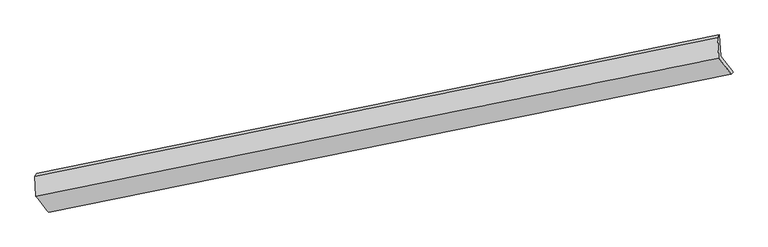
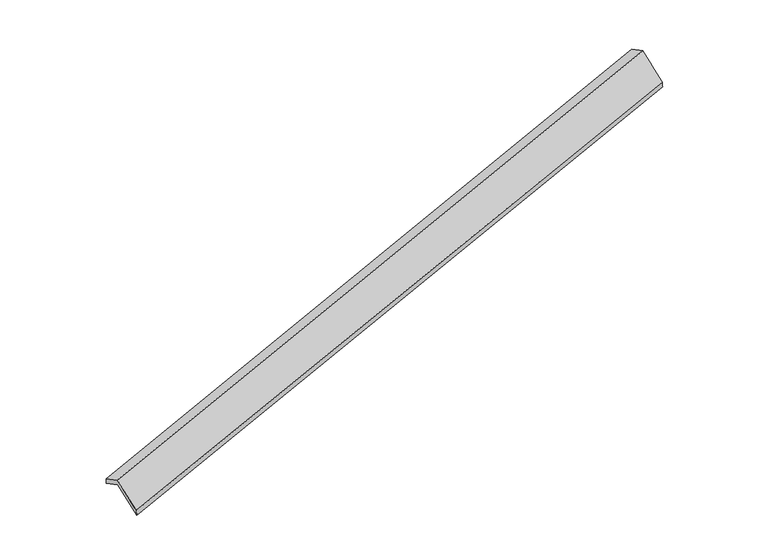
"""IFC4 building model written with IfcOpenShell, lengths in millimetres: proxy geometry."""

from ifc_helpers import new_model, si_unit, frame, origin, place, context, project, spatial, source, transform, mapped, element, save
from ifc_brep_helpers import plane_surface, spline_surface, advanced_brep


def generic_models_f2f42705(model_context):
    return source(origin(), model_context, "Body", "AdvancedBrep", [
        advanced_brep(
        [(-9659.9213478, -2885.9772921, 181.4863844), (-9682.0070378, -2469.5301014, -32.3046494), (3801.2331752, 271.9994313, 3865.8699466), (3823.790138, -153.3340678, 4084.2229346), (-9716.7469737, -2524.2945988, 123.7141351), (3764.4253425, 212.674732, 4035.1398908), (-9695.4505463, -2925.8594758, 329.8650518), (3785.72177, -188.890145, 4241.2908076), (-9447.4912825, -3235.1098396, -298.1444316), (4035.6935143, -507.4134286, 3595.0105465), (-9411.9620841, -3195.2276559, -446.5230991), (4070.48417, -467.6807686, 3446.4169144)],
        [
            (0, 1),
            (1, 2),
            (2, 3),
            (3, 0),
            (1, 4),
            (4, 5),
            (5, 2),
            (4, 6),
            (6, 7),
            (7, 5),
            (6, 8),
            (8, 9),
            (9, 7),
            (8, 10),
            (10, 11),
            (11, 9),
            (10, 0),
            (3, 11),
        ],
        [
            plane_surface(frame((-9670.9641928, -2677.7536967, 74.5908675), z_axis=(0.3296847696630582, -0.41727306004304604, -0.84687138693814), x_axis=(-0.047127284012856215, 0.8886308300092914, -0.4561954263893594))),
            spline_surface(1, 1, [[(-9682.0070378, -2469.5301014, -32.3046494), (3801.2331752, 271.9994313, 3865.8699466)], [(-9716.7469737, -2524.2945988, 123.7141351), (3764.4253425, 212.674732, 4035.1398908)]], [2, 2], [2, 2], [0.0, 1.0], [0.0, 1.0]),
            plane_surface(frame((-9706.09876, -2725.0770373, 226.7895935), z_axis=(-0.3303440631525339, 0.4171398743870762, 0.8466800606700321), x_axis=(0.04712728401282513, -0.8886308300093095, 0.4561954263893273))),
            spline_surface(1, 1, [[(-9695.4505463, -2925.8594758, 329.8650518), (3785.72177, -188.890145, 4241.2908076)], [(-9447.4912825, -3235.1098396, -298.1444316), (4035.6935143, -507.4134286, 3595.0105465)]], [2, 2], [2, 2], [0.0, 1.0], [0.0, 1.0]),
            spline_surface(1, 1, [[(-9447.4912825, -3235.1098396, -298.1444316), (4035.6935143, -507.4134286, 3595.0105465)], [(-9411.9620841, -3195.2276559, -446.5230991), (4070.48417, -467.6807686, 3446.4169144)]], [2, 2], [2, 2], [0.0, 1.0], [0.0, 1.0]),
            spline_surface(1, 1, [[(-9411.9620841, -3195.2276559, -446.5230991), (4070.48417, -467.6807686, 3446.4169144)], [(-9659.9213478, -2885.9772921, 181.4863844), (3823.790138, -153.3340678, 4084.2229346)]], [2, 2], [2, 2], [0.0, 1.0], [0.0, 1.0]),
            plane_surface(frame((3880.224685, -138.7740411, 3877.9918401), z_axis=(0.943580965846489, 0.18946453213404688, 0.2715845208317914), x_axis=(0.22061356745868338, 0.2519516720612004, -0.9422579311413188))),
            plane_surface(frame((-9602.263212, -2872.6664939, -23.6511015), z_axis=(-0.941433736153489, -0.19217129676717032, -0.2770788933334822), x_axis=(0.3338885136294834, -0.41641978898177096, -0.8456435536386899))),
        ],
        [
            (0, [[1, 2, 3, 4]]),
            (1, [[5, 6, 7, -2]]),
            (2, [[8, 9, 10, -6]]),
            (3, [[11, 12, 13, -9]]),
            (4, [[14, 15, 16, -12]]),
            (5, [[17, -4, 18, -15]]),
            (6, [[-16, -18, -3, -7, -10, -13]]),
            (7, [[-17, -14, -11, -8, -5, -1]]),
        ],
    ),
    ])


if __name__ == "__main__":
    model = new_model("IFC4")
    model_context = context("Model", 3, world=origin())
    ifc_project = project(units=[si_unit("LENGTHUNIT", "METRE", prefix="MILLI")], contexts=[model_context])
    site = spatial("IfcSite", under=ifc_project)
    building = spatial("IfcBuilding", under=site)
    placement = place(None, origin())
    generic_models_shape = generic_models_f2f42705(model_context)
    element("IfcBuildingElementProxy", 1, Name="Generic Models", at=placement, inside=building, context=model_context, shape_type="MappedRepresentation", body=[
        mapped(generic_models_shape, transform((0.0, 0.0, 0.0), x_axis=(1.0, 0.0, 0.0), y_axis=(0.0, 1.0, 0.0), z_axis=(0.0, 0.0, 1.0))),
    ])
    save(model, "model.ifc")
